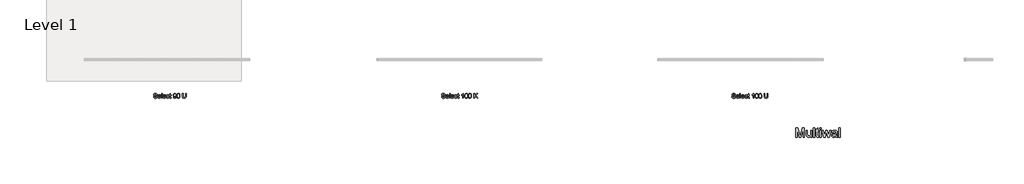
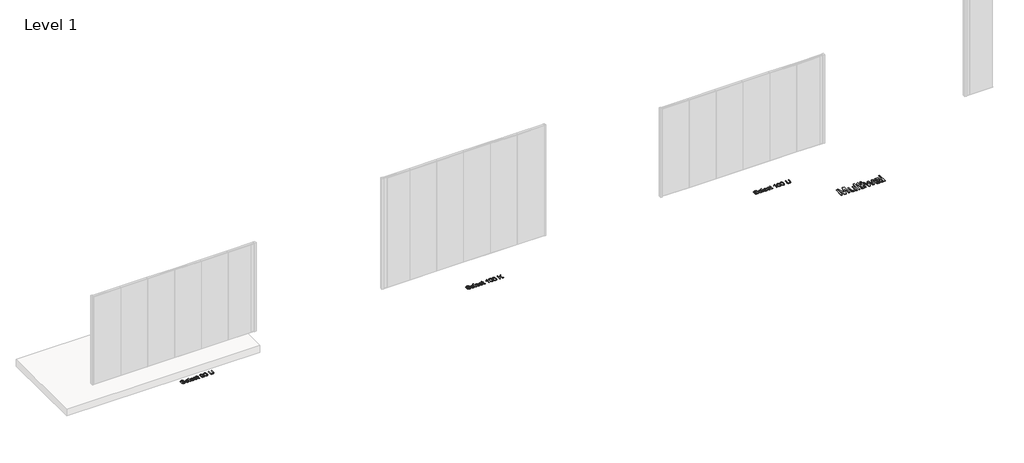
# One storey, part 3 of 4: 4 proxies.
"""IFC4 building model written with IfcOpenShell, lengths in millimetres."""

from ifc_helpers import new_model, si_unit, origin, origin_with_axes, place, context, project, spatial, polyline, outline, extrude, element, save

model = new_model("IFC4")

# Units and contexts
model_context = context("Model", 3, world=origin())
ifc_project = project(units=[si_unit("LENGTHUNIT", "METRE", prefix="MILLI")], contexts=[model_context])

# Site, building, storey
site = spatial("IfcSite", under=ifc_project)
building = spatial("IfcBuilding", under=site)
storey = spatial("IfcBuildingStorey", under=building, Name="Level 1", Elevation=0.0)

# Proxies
placement = place(None, origin())
element("IfcBuildingElementProxy", 1, Name="200mm", ObjectType="200mm", at=placement, inside=storey, context=model_context, shape_type="SweptSolid", body=[
    extrude(outline(polyline([(6159.0438066, -16410.4015229), (6183.6591912, -16410.4015229), (6191.5918835, -16435.040946), (6199.5606335, -16443.7548883), (6210.9668835, -16450.617869), (6224.9091912, -16455.070994), (6240.4861143, -16456.555369), (6266.2072681, -16452.0601767), (6282.817845, -16439.7044075), (6288.2745758, -16423.1899844), (6284.1880373, -16407.8294075), (6277.9620758, -16401.7536863), (6267.4572681, -16396.6515229), (6231.615922, -16387.2524844), (6193.0341912, -16375.1130613), (6180.7805854, -16366.8318113), (6172.0966912, -16356.7957536), (6166.9224123, -16345.2212344), (6165.1976527, -16332.3245998), (6167.3310662, -16317.9075325), (6173.7313066, -16304.4640229), (6184.2301046, -16293.0697921), (6198.6591912, -16284.8005613), (6215.9789027, -16279.7705133), (6235.1495758, -16278.0938306), (6255.9188066, -16279.8486383), (6274.0918835, -16285.1130613), (6289.0197681, -16293.7789267), (6300.053422, -16305.7380613), (6307.036595, -16320.2452729), (6309.8130373, -16336.555369), (6285.1976527, -16336.555369), (6280.678422, -16321.867869), (6271.255345, -16311.2669075), (6256.5317873, -16304.8486383), (6236.1111143, -16302.7092152), (6215.209672, -16304.8245998), (6200.8707296, -16311.1707536), (6192.5774604, -16320.509696), (6189.8130373, -16331.603446), (6191.772172, -16341.0625806), (6197.6495758, -16348.6707536), (6211.5438066, -16355.4736383), (6237.8418835, -16362.4207536), (6281.3995758, -16374.7765229), (6295.4320277, -16383.7068113), (6305.2216912, -16394.728446), (6310.9728931, -16407.7212344), (6312.8899604, -16422.5649844), (6310.6844316, -16437.7392633), (6304.067845, -16452.0120998), (6293.3106335, -16464.2957536), (6278.6832296, -16473.5024844), (6261.0930854, -16479.2536863), (6241.4476527, -16481.1707536), (6217.3310662, -16479.103446), (6197.4813066, -16472.9015229), (6181.6700085, -16462.540946), (6169.6688066, -16447.9976767), (6161.9644796, -16430.2813306), (6159.0438066, -16410.4015229)])), origin_with_axes(), (0.0, 0.0, 1.0), 5.0),
    extrude(outline(polyline([(6447.9861143, -16435.0169075), (6472.1207296, -16438.0938306), (6463.4248162, -16456.2789267), (6449.5486143, -16469.8726767), (6430.8046239, -16478.3462344), (6407.505345, -16481.1707536), (6378.6231335, -16476.2969556), (6356.3995758, -16461.6755613), (6342.2289027, -16438.2560902), (6337.505345, -16406.9880613), (6342.2769796, -16374.6683498), (6356.5918835, -16350.4976767), (6378.5149604, -16335.4255613), (6406.1111143, -16330.4015229), (6432.8478931, -16335.4135421), (6454.2120758, -16350.4495998), (6468.2204893, -16374.572196), (6472.8899604, -16406.8438306), (6472.7457296, -16413.478446), (6362.1207296, -16413.478446), (6366.381547, -16431.9039267), (6376.2793835, -16445.4495998), (6390.5642393, -16453.7789267), (6407.9861143, -16456.555369), (6432.1207296, -16451.4111383), (6441.0870758, -16444.7404652), (6447.9861143, -16435.0169075)]), holes=[polyline([(6362.1207296, -16388.8630613), (6448.2745758, -16388.8630613), (6444.9452489, -16375.8582536), (6438.4188066, -16366.555369), (6424.067845, -16357.9015229), (6406.0149604, -16355.0169075), (6389.4224123, -16357.3185902), (6375.7024604, -16364.2236383), (6366.1652008, -16374.9868594), (6362.1207296, -16388.8630613)])]), origin_with_axes(), (0.0, 0.0, 1.0), 5.0),
    extrude(outline(polyline([(6497.505345, -16478.0938306), (6497.505345, -16281.1707536), (6522.1207296, -16281.1707536), (6522.1207296, -16478.0938306), (6497.505345, -16478.0938306)])), origin_with_axes(), (0.0, 0.0, 1.0), 5.0),
    extrude(outline(polyline([(6660.2938066, -16435.0169075), (6684.428422, -16438.0938306), (6675.7325085, -16456.2789267), (6661.8563066, -16469.8726767), (6643.1123162, -16478.3462344), (6619.8130373, -16481.1707536), (6590.9308258, -16476.2969556), (6568.7072681, -16461.6755613), (6554.536595, -16438.2560902), (6549.8130373, -16406.9880613), (6554.584672, -16374.6683498), (6568.8995758, -16350.4976767), (6590.8226527, -16335.4255613), (6618.4188066, -16330.4015229), (6645.1555854, -16335.4135421), (6666.5197681, -16350.4495998), (6680.5281816, -16374.572196), (6685.1976527, -16406.8438306), (6685.053422, -16413.478446), (6574.428422, -16413.478446), (6578.6892393, -16431.9039267), (6588.5870758, -16445.4495998), (6602.8719316, -16453.7789267), (6620.2938066, -16456.555369), (6644.428422, -16451.4111383), (6653.3947681, -16444.7404652), (6660.2938066, -16435.0169075)]), holes=[polyline([(6574.428422, -16388.8630613), (6660.5822681, -16388.8630613), (6657.2529412, -16375.8582536), (6650.7264989, -16366.555369), (6636.3755373, -16357.9015229), (6618.3226527, -16355.0169075), (6601.7301046, -16357.3185902), (6588.0101527, -16364.2236383), (6578.4728931, -16374.9868594), (6574.428422, -16388.8630613)])]), origin_with_axes(), (0.0, 0.0, 1.0), 5.0),
    extrude(outline(polyline([(6802.1207296, -16425.7861383), (6826.7361143, -16428.8630613), (6819.8731335, -16450.7560902), (6806.9764989, -16467.3005613), (6789.2601527, -16477.7032056), (6767.9380373, -16481.1707536), (6741.7541431, -16476.3330133), (6721.2793835, -16461.8197921), (6708.0642393, -16438.2681094), (6703.6591912, -16406.3149844), (6705.5402008, -16384.4099363), (6711.1832296, -16365.4255613), (6720.678422, -16350.0950325), (6734.115922, -16339.1515229), (6750.1916431, -16332.5890229), (6767.6014989, -16330.4015229), (6788.4007777, -16333.4063306), (6805.0293835, -16342.4207536), (6816.95847, -16356.9640229), (6823.6591912, -16376.555369), (6799.0438066, -16379.6322921), (6794.5786623, -16368.8931094), (6787.6255373, -16361.1947921), (6778.569047, -16356.5613786), (6767.7938066, -16355.0169075), (6751.8863546, -16358.0577729), (6739.2601527, -16367.180369), (6731.02097, -16382.8774844), (6728.2745758, -16405.6419075), (6730.9608739, -16428.712821), (6739.0197681, -16444.4640229), (6751.4176046, -16453.5325325), (6767.1207296, -16456.555369), (6779.8671239, -16454.6683498), (6790.317845, -16449.0072921), (6797.9200085, -16439.4279652), (6802.1207296, -16425.7861383)])), origin_with_axes(), (0.0, 0.0, 1.0), 5.0),
    extrude(outline(polyline([(6900.5822681, -16457.5649844), (6903.6591912, -16478.8149844), (6885.2457296, -16481.1707536), (6864.6207296, -16477.0842152), (6854.3322681, -16466.3630613), (6851.3514989, -16438.430369), (6851.3514989, -16358.0938306), (6832.8899604, -16358.0938306), (6832.8899604, -16333.478446), (6851.3514989, -16333.478446), (6851.3514989, -16298.3342152), (6875.9668835, -16283.8630613), (6875.9668835, -16333.478446), (6900.5822681, -16333.478446), (6900.5822681, -16358.0938306), (6875.9668835, -16358.0938306), (6875.9668835, -16437.7092152), (6877.2649604, -16450.4015229), (6881.4716912, -16454.8967152), (6889.8611143, -16456.555369), (6900.5822681, -16457.5649844)])), origin_with_axes(), (0.0, 0.0, 1.0), 5.0),
    extrude(outline(polyline([(6999.0438066, -16428.8630613), (7023.6591912, -16425.7861383), (7027.865922, -16439.758494), (7034.7168835, -16449.2717152), (7044.0438066, -16454.7344556), (7055.678422, -16456.555369), (7075.6063066, -16451.867869), (7089.115922, -16439.3438306), (7097.1688066, -16417.9495998), (7100.7264989, -16389.3919075), (7100.5822681, -16384.5842152), (7092.0546239, -16394.992869), (7080.8947681, -16403.2380613), (7067.9079893, -16408.6106575), (7053.8995758, -16410.4015229), (7031.4536623, -16406.0265229), (7012.7697681, -16392.9015229), (7000.1676046, -16372.6250806), (6995.9668835, -16346.7957536), (7000.3719316, -16320.1130613), (7013.5870758, -16299.1995998), (7033.4368354, -16285.6779652), (7057.7457296, -16281.1707536), (7076.1051046, -16283.742869), (7092.817845, -16291.4592152), (7106.7962104, -16303.9351767), (7116.9524604, -16320.7861383), (7123.1363546, -16344.0794075), (7125.1976527, -16375.8822921), (7123.1423643, -16409.602244), (7116.9764989, -16435.665946), (7106.7541431, -16455.2512825), (7092.5293835, -16469.5361383), (7074.9152008, -16478.2620998), (7054.5245758, -16481.1707536), (7033.4789027, -16477.7392633), (7016.6880373, -16467.4447921), (7004.9452489, -16450.9363786), (6999.0438066, -16428.8630613)]), holes=[polyline([(7100.5822681, -16346.2188306), (7097.9260181, -16329.5361383), (7089.9572681, -16316.6995998), (7077.5894796, -16308.5145036), (7061.7361143, -16305.7861383), (7045.2938066, -16308.7248402), (7032.1207296, -16317.540946), (7023.4668835, -16331.0325325), (7020.5822681, -16347.9976767), (7023.3106335, -16363.2080133), (7031.4957296, -16375.2813306), (7044.3442873, -16383.1599363), (7061.0630373, -16385.7861383), (7076.7902008, -16383.1599363), (7089.4524604, -16375.2813306), (7097.7998162, -16362.7633017), (7100.5822681, -16346.2188306)])]), origin_with_axes(), (0.0, 0.0, 1.0), 5.0),
    extrude(outline(polyline([(7146.7361143, -16381.2188306), (7148.5450085, -16349.6983979), (7153.9716912, -16324.5601767), (7162.9620758, -16305.4195517), (7175.4620758, -16291.8919075), (7191.5618354, -16283.8510421), (7211.3514989, -16281.1707536), (7226.5197681, -16282.7572921), (7240.1014989, -16287.5169075), (7251.459672, -16295.2633017), (7259.9572681, -16305.8101767), (7271.4957296, -16334.9447921), (7275.9668835, -16381.2188306), (7274.1760181, -16412.5589748), (7268.803422, -16437.6370998), (7259.8671239, -16456.7957536), (7247.3851527, -16470.3774844), (7231.2493354, -16478.4724363), (7211.3514989, -16481.1707536), (7185.7745758, -16476.4832536), (7166.3514989, -16462.4207536), (7157.7697681, -16447.5920277), (7151.6399604, -16429.1154652), (7146.7361143, -16381.2188306)]), holes=[polyline([(7171.3514989, -16381.1707536), (7174.2361143, -16419.8907056), (7182.8899604, -16442.3005613), (7195.7745758, -16452.9916671), (7211.3514989, -16456.555369), (7226.928422, -16452.9796479), (7239.8130373, -16442.2524844), (7248.4668835, -16419.8306094), (7251.3514989, -16381.1707536), (7248.5630373, -16343.322196), (7240.1976527, -16320.7380613), (7227.3370758, -16309.524119), (7211.0630373, -16305.7861383), (7195.6543835, -16309.0794075), (7183.2745758, -16318.9592152), (7174.3322681, -16342.9495998), (7171.3514989, -16381.1707536)])]), origin_with_axes(), (0.0, 0.0, 1.0), 5.0),
    extrude(outline(polyline([(7512.8899604, -16281.1707536), (7537.505345, -16281.1707536), (7537.505345, -16394.7765229), (7535.834672, -16421.3810902), (7530.8226527, -16441.867869), (7521.459672, -16457.6731575), (7506.7361143, -16470.2332536), (7486.615922, -16478.4363786), (7461.0630373, -16481.1707536), (7436.069047, -16478.790946), (7416.0870758, -16471.6515229), (7401.1111143, -16459.9988786), (7391.1351527, -16444.0794075), (7385.5281816, -16422.727244), (7383.6591912, -16394.7765229), (7383.6591912, -16281.1707536), (7408.2745758, -16281.1707536), (7408.2745758, -16393.9111383), (7409.4885181, -16416.0325325), (7413.130345, -16431.4351767), (7419.7289027, -16442.102244), (7429.8130373, -16450.0169075), (7442.9620758, -16454.9207536), (7458.755345, -16456.555369), (7483.7914027, -16453.322196), (7500.4380373, -16443.6226767), (7509.7769796, -16424.728446), (7512.8899604, -16393.9111383), (7512.8899604, -16281.1707536)])), origin_with_axes(), (0.0, 0.0, 1.0), 5.0),
])
element("IfcBuildingElementProxy", 2, Name="200mm", ObjectType="200mm", at=placement, inside=storey, context=model_context, shape_type="SweptSolid", body=[
    extrude(outline(polyline([(18359.0438066, -16410.4015229), (18383.6591912, -16410.4015229), (18391.5918835, -16435.040946), (18399.5606335, -16443.7548883), (18410.9668835, -16450.617869), (18424.9091912, -16455.070994), (18440.4861143, -16456.555369), (18466.2072681, -16452.0601767), (18482.817845, -16439.7044075), (18488.2745758, -16423.1899844), (18484.1880373, -16407.8294075), (18477.9620758, -16401.7536863), (18467.4572681, -16396.6515229), (18431.615922, -16387.2524844), (18393.0341912, -16375.1130613), (18380.7805854, -16366.8318113), (18372.0966912, -16356.7957536), (18366.9224123, -16345.2212344), (18365.1976527, -16332.3245998), (18367.3310662, -16317.9075325), (18373.7313066, -16304.4640229), (18384.2301046, -16293.0697921), (18398.6591912, -16284.8005613), (18415.9789027, -16279.7705133), (18435.1495758, -16278.0938306), (18455.9188066, -16279.8486383), (18474.0918835, -16285.1130613), (18489.0197681, -16293.7789267), (18500.053422, -16305.7380613), (18507.036595, -16320.2452729), (18509.8130373, -16336.555369), (18485.1976527, -16336.555369), (18480.678422, -16321.867869), (18471.255345, -16311.2669075), (18456.5317873, -16304.8486383), (18436.1111143, -16302.7092152), (18415.209672, -16304.8245998), (18400.8707296, -16311.1707536), (18392.5774604, -16320.509696), (18389.8130373, -16331.603446), (18391.772172, -16341.0625806), (18397.6495758, -16348.6707536), (18411.5438066, -16355.4736383), (18437.8418835, -16362.4207536), (18481.3995758, -16374.7765229), (18495.4320277, -16383.7068113), (18505.2216912, -16394.728446), (18510.9728931, -16407.7212344), (18512.8899604, -16422.5649844), (18510.6844316, -16437.7392633), (18504.067845, -16452.0120998), (18493.3106335, -16464.2957536), (18478.6832296, -16473.5024844), (18461.0930854, -16479.2536863), (18441.4476527, -16481.1707536), (18417.3310662, -16479.103446), (18397.4813066, -16472.9015229), (18381.6700085, -16462.540946), (18369.6688066, -16447.9976767), (18361.9644796, -16430.2813306), (18359.0438066, -16410.4015229)])), origin_with_axes(), (0.0, 0.0, 1.0), 5.0),
    extrude(outline(polyline([(18647.9861143, -16435.0169075), (18672.1207296, -16438.0938306), (18663.4248162, -16456.2789267), (18649.5486143, -16469.8726767), (18630.8046239, -16478.3462344), (18607.505345, -16481.1707536), (18578.6231335, -16476.2969556), (18556.3995758, -16461.6755613), (18542.2289027, -16438.2560902), (18537.505345, -16406.9880613), (18542.2769796, -16374.6683498), (18556.5918835, -16350.4976767), (18578.5149604, -16335.4255613), (18606.1111143, -16330.4015229), (18632.8478931, -16335.4135421), (18654.2120758, -16350.4495998), (18668.2204893, -16374.572196), (18672.8899604, -16406.8438306), (18672.7457296, -16413.478446), (18562.1207296, -16413.478446), (18566.381547, -16431.9039267), (18576.2793835, -16445.4495998), (18590.5642393, -16453.7789267), (18607.9861143, -16456.555369), (18632.1207296, -16451.4111383), (18641.0870758, -16444.7404652), (18647.9861143, -16435.0169075)]), holes=[polyline([(18562.1207296, -16388.8630613), (18648.2745758, -16388.8630613), (18644.9452489, -16375.8582536), (18638.4188066, -16366.555369), (18624.067845, -16357.9015229), (18606.0149604, -16355.0169075), (18589.4224123, -16357.3185902), (18575.7024604, -16364.2236383), (18566.1652008, -16374.9868594), (18562.1207296, -16388.8630613)])]), origin_with_axes(), (0.0, 0.0, 1.0), 5.0),
    extrude(outline(polyline([(18697.505345, -16478.0938306), (18697.505345, -16281.1707536), (18722.1207296, -16281.1707536), (18722.1207296, -16478.0938306), (18697.505345, -16478.0938306)])), origin_with_axes(), (0.0, 0.0, 1.0), 5.0),
    extrude(outline(polyline([(18860.2938066, -16435.0169075), (18884.428422, -16438.0938306), (18875.7325085, -16456.2789267), (18861.8563066, -16469.8726767), (18843.1123162, -16478.3462344), (18819.8130373, -16481.1707536), (18790.9308258, -16476.2969556), (18768.7072681, -16461.6755613), (18754.536595, -16438.2560902), (18749.8130373, -16406.9880613), (18754.584672, -16374.6683498), (18768.8995758, -16350.4976767), (18790.8226527, -16335.4255613), (18818.4188066, -16330.4015229), (18845.1555854, -16335.4135421), (18866.5197681, -16350.4495998), (18880.5281816, -16374.572196), (18885.1976527, -16406.8438306), (18885.053422, -16413.478446), (18774.428422, -16413.478446), (18778.6892393, -16431.9039267), (18788.5870758, -16445.4495998), (18802.8719316, -16453.7789267), (18820.2938066, -16456.555369), (18844.428422, -16451.4111383), (18853.3947681, -16444.7404652), (18860.2938066, -16435.0169075)]), holes=[polyline([(18774.428422, -16388.8630613), (18860.5822681, -16388.8630613), (18857.2529412, -16375.8582536), (18850.7264989, -16366.555369), (18836.3755373, -16357.9015229), (18818.3226527, -16355.0169075), (18801.7301046, -16357.3185902), (18788.0101527, -16364.2236383), (18778.4728931, -16374.9868594), (18774.428422, -16388.8630613)])]), origin_with_axes(), (0.0, 0.0, 1.0), 5.0),
    extrude(outline(polyline([(19002.1207296, -16425.7861383), (19026.7361143, -16428.8630613), (19019.8731335, -16450.7560902), (19006.9764989, -16467.3005613), (18989.2601527, -16477.7032056), (18967.9380373, -16481.1707536), (18941.7541431, -16476.3330133), (18921.2793835, -16461.8197921), (18908.0642393, -16438.2681094), (18903.6591912, -16406.3149844), (18905.5402008, -16384.4099363), (18911.1832296, -16365.4255613), (18920.678422, -16350.0950325), (18934.115922, -16339.1515229), (18950.1916431, -16332.5890229), (18967.6014989, -16330.4015229), (18988.4007777, -16333.4063306), (19005.0293835, -16342.4207536), (19016.95847, -16356.9640229), (19023.6591912, -16376.555369), (18999.0438066, -16379.6322921), (18994.5786623, -16368.8931094), (18987.6255373, -16361.1947921), (18978.569047, -16356.5613786), (18967.7938066, -16355.0169075), (18951.8863546, -16358.0577729), (18939.2601527, -16367.180369), (18931.02097, -16382.8774844), (18928.2745758, -16405.6419075), (18930.9608739, -16428.712821), (18939.0197681, -16444.4640229), (18951.4176046, -16453.5325325), (18967.1207296, -16456.555369), (18979.8671239, -16454.6683498), (18990.317845, -16449.0072921), (18997.9200085, -16439.4279652), (19002.1207296, -16425.7861383)])), origin_with_axes(), (0.0, 0.0, 1.0), 5.0),
    extrude(outline(polyline([(19100.5822681, -16457.5649844), (19103.6591912, -16478.8149844), (19085.2457296, -16481.1707536), (19064.6207296, -16477.0842152), (19054.3322681, -16466.3630613), (19051.3514989, -16438.430369), (19051.3514989, -16358.0938306), (19032.8899604, -16358.0938306), (19032.8899604, -16333.478446), (19051.3514989, -16333.478446), (19051.3514989, -16298.3342152), (19075.9668835, -16283.8630613), (19075.9668835, -16333.478446), (19100.5822681, -16333.478446), (19100.5822681, -16358.0938306), (19075.9668835, -16358.0938306), (19075.9668835, -16437.7092152), (19077.2649604, -16450.4015229), (19081.4716912, -16454.8967152), (19089.8611143, -16456.555369), (19100.5822681, -16457.5649844)])), origin_with_axes(), (0.0, 0.0, 1.0), 5.0),
    extrude(outline(polyline([(19288.2745758, -16478.0938306), (19263.6591912, -16478.0938306), (19263.6591912, -16324.6322921), (19240.3418835, -16341.242869), (19214.428422, -16353.6707536), (19214.428422, -16330.4015229), (19250.5101527, -16307.3726767), (19263.7132777, -16294.0673883), (19272.4091912, -16281.1707536), (19288.2745758, -16281.1707536), (19288.2745758, -16478.0938306)])), origin_with_axes(), (0.0, 0.0, 1.0), 5.0),
    extrude(outline(polyline([(19346.7361143, -16381.2188306), (19348.5450085, -16349.6983979), (19353.9716912, -16324.5601767), (19362.9620758, -16305.4195517), (19375.4620758, -16291.8919075), (19391.5618354, -16283.8510421), (19411.3514989, -16281.1707536), (19426.5197681, -16282.7572921), (19440.1014989, -16287.5169075), (19451.459672, -16295.2633017), (19459.9572681, -16305.8101767), (19471.4957296, -16334.9447921), (19475.9668835, -16381.2188306), (19474.1760181, -16412.5589748), (19468.803422, -16437.6370998), (19459.8671239, -16456.7957536), (19447.3851527, -16470.3774844), (19431.2493354, -16478.4724363), (19411.3514989, -16481.1707536), (19385.7745758, -16476.4832536), (19366.3514989, -16462.4207536), (19357.7697681, -16447.5920277), (19351.6399604, -16429.1154652), (19346.7361143, -16381.2188306)]), holes=[polyline([(19371.3514989, -16381.1707536), (19374.2361143, -16419.8907056), (19382.8899604, -16442.3005613), (19395.7745758, -16452.9916671), (19411.3514989, -16456.555369), (19426.928422, -16452.9796479), (19439.8130373, -16442.2524844), (19448.4668835, -16419.8306094), (19451.3514989, -16381.1707536), (19448.5630373, -16343.322196), (19440.1976527, -16320.7380613), (19427.3370758, -16309.524119), (19411.0630373, -16305.7861383), (19395.6543835, -16309.0794075), (19383.2745758, -16318.9592152), (19374.3322681, -16342.9495998), (19371.3514989, -16381.1707536)])]), origin_with_axes(), (0.0, 0.0, 1.0), 5.0),
    extrude(outline(polyline([(19497.505345, -16381.2188306), (19499.3142393, -16349.6983979), (19504.740922, -16324.5601767), (19513.7313066, -16305.4195517), (19526.2313066, -16291.8919075), (19542.3310662, -16283.8510421), (19562.1207296, -16281.1707536), (19577.2889989, -16282.7572921), (19590.8707296, -16287.5169075), (19602.2289027, -16295.2633017), (19610.7264989, -16305.8101767), (19622.2649604, -16334.9447921), (19626.7361143, -16381.2188306), (19624.9452489, -16412.5589748), (19619.5726527, -16437.6370998), (19610.6363546, -16456.7957536), (19598.1543835, -16470.3774844), (19582.0185662, -16478.4724363), (19562.1207296, -16481.1707536), (19536.5438066, -16476.4832536), (19517.1207296, -16462.4207536), (19508.5389989, -16447.5920277), (19502.4091912, -16429.1154652), (19497.505345, -16381.2188306)]), holes=[polyline([(19522.1207296, -16381.1707536), (19525.005345, -16419.8907056), (19533.6591912, -16442.3005613), (19546.5438066, -16452.9916671), (19562.1207296, -16456.555369), (19577.6976527, -16452.9796479), (19590.5822681, -16442.2524844), (19599.2361143, -16419.8306094), (19602.1207296, -16381.1707536), (19599.3322681, -16343.322196), (19590.9668835, -16320.7380613), (19578.1063066, -16309.524119), (19561.8322681, -16305.7861383), (19546.4236143, -16309.0794075), (19534.0438066, -16318.9592152), (19525.1014989, -16342.9495998), (19522.1207296, -16381.1707536)])]), origin_with_axes(), (0.0, 0.0, 1.0), 5.0),
    extrude(outline(polyline([(19734.428422, -16478.0938306), (19734.428422, -16281.1707536), (19759.0438066, -16281.1707536), (19759.0438066, -16377.5649844), (19860.005345, -16281.1707536), (19894.428422, -16281.1707536), (19809.6688066, -16362.1322921), (19897.505345, -16478.0938306), (19867.4091912, -16478.0938306), (19792.2168835, -16378.7669075), (19759.0438066, -16410.4015229), (19759.0438066, -16478.0938306), (19734.428422, -16478.0938306)])), origin_with_axes(), (0.0, 0.0, 1.0), 5.0),
])
element("IfcBuildingElementProxy", 3, Name="200mm", ObjectType="200mm", at=placement, inside=storey, context=model_context, shape_type="SweptSolid", body=[
    extrude(outline(polyline([(30659.0438066, -16410.4015229), (30683.6591912, -16410.4015229), (30691.5918835, -16435.040946), (30699.5606335, -16443.7548883), (30710.9668835, -16450.617869), (30724.9091912, -16455.070994), (30740.4861143, -16456.555369), (30766.2072681, -16452.0601767), (30782.817845, -16439.7044075), (30788.2745758, -16423.1899844), (30784.1880373, -16407.8294075), (30777.9620758, -16401.7536863), (30767.4572681, -16396.6515229), (30731.615922, -16387.2524844), (30693.0341912, -16375.1130613), (30680.7805854, -16366.8318113), (30672.0966912, -16356.7957536), (30666.9224123, -16345.2212344), (30665.1976527, -16332.3245998), (30667.3310662, -16317.9075325), (30673.7313066, -16304.4640229), (30684.2301046, -16293.0697921), (30698.6591912, -16284.8005613), (30715.9789027, -16279.7705133), (30735.1495758, -16278.0938306), (30755.9188066, -16279.8486383), (30774.0918835, -16285.1130613), (30789.0197681, -16293.7789267), (30800.053422, -16305.7380613), (30807.036595, -16320.2452729), (30809.8130373, -16336.555369), (30785.1976527, -16336.555369), (30780.678422, -16321.867869), (30771.255345, -16311.2669075), (30756.5317873, -16304.8486383), (30736.1111143, -16302.7092152), (30715.209672, -16304.8245998), (30700.8707296, -16311.1707536), (30692.5774604, -16320.509696), (30689.8130373, -16331.603446), (30691.772172, -16341.0625806), (30697.6495758, -16348.6707536), (30711.5438066, -16355.4736383), (30737.8418835, -16362.4207536), (30781.3995758, -16374.7765229), (30795.4320277, -16383.7068113), (30805.2216912, -16394.728446), (30810.9728931, -16407.7212344), (30812.8899604, -16422.5649844), (30810.6844316, -16437.7392633), (30804.067845, -16452.0120998), (30793.3106335, -16464.2957536), (30778.6832296, -16473.5024844), (30761.0930854, -16479.2536863), (30741.4476527, -16481.1707536), (30717.3310662, -16479.103446), (30697.4813066, -16472.9015229), (30681.6700085, -16462.540946), (30669.6688066, -16447.9976767), (30661.9644796, -16430.2813306), (30659.0438066, -16410.4015229)])), origin_with_axes(), (0.0, 0.0, 1.0), 5.0),
    extrude(outline(polyline([(30947.9861143, -16435.0169075), (30972.1207296, -16438.0938306), (30963.4248162, -16456.2789267), (30949.5486143, -16469.8726767), (30930.8046239, -16478.3462344), (30907.505345, -16481.1707536), (30878.6231335, -16476.2969556), (30856.3995758, -16461.6755613), (30842.2289027, -16438.2560902), (30837.505345, -16406.9880613), (30842.2769796, -16374.6683498), (30856.5918835, -16350.4976767), (30878.5149604, -16335.4255613), (30906.1111143, -16330.4015229), (30932.8478931, -16335.4135421), (30954.2120758, -16350.4495998), (30968.2204893, -16374.572196), (30972.8899604, -16406.8438306), (30972.7457296, -16413.478446), (30862.1207296, -16413.478446), (30866.381547, -16431.9039267), (30876.2793835, -16445.4495998), (30890.5642393, -16453.7789267), (30907.9861143, -16456.555369), (30932.1207296, -16451.4111383), (30941.0870758, -16444.7404652), (30947.9861143, -16435.0169075)]), holes=[polyline([(30862.1207296, -16388.8630613), (30948.2745758, -16388.8630613), (30944.9452489, -16375.8582536), (30938.4188066, -16366.555369), (30924.067845, -16357.9015229), (30906.0149604, -16355.0169075), (30889.4224123, -16357.3185902), (30875.7024604, -16364.2236383), (30866.1652008, -16374.9868594), (30862.1207296, -16388.8630613)])]), origin_with_axes(), (0.0, 0.0, 1.0), 5.0),
    extrude(outline(polyline([(30997.505345, -16478.0938306), (30997.505345, -16281.1707536), (31022.1207296, -16281.1707536), (31022.1207296, -16478.0938306), (30997.505345, -16478.0938306)])), origin_with_axes(), (0.0, 0.0, 1.0), 5.0),
    extrude(outline(polyline([(31160.2938066, -16435.0169075), (31184.428422, -16438.0938306), (31175.7325085, -16456.2789267), (31161.8563066, -16469.8726767), (31143.1123162, -16478.3462344), (31119.8130373, -16481.1707536), (31090.9308258, -16476.2969556), (31068.7072681, -16461.6755613), (31054.536595, -16438.2560902), (31049.8130373, -16406.9880613), (31054.584672, -16374.6683498), (31068.8995758, -16350.4976767), (31090.8226527, -16335.4255613), (31118.4188066, -16330.4015229), (31145.1555854, -16335.4135421), (31166.5197681, -16350.4495998), (31180.5281816, -16374.572196), (31185.1976527, -16406.8438306), (31185.053422, -16413.478446), (31074.428422, -16413.478446), (31078.6892393, -16431.9039267), (31088.5870758, -16445.4495998), (31102.8719316, -16453.7789267), (31120.2938066, -16456.555369), (31144.428422, -16451.4111383), (31153.3947681, -16444.7404652), (31160.2938066, -16435.0169075)]), holes=[polyline([(31074.428422, -16388.8630613), (31160.5822681, -16388.8630613), (31157.2529412, -16375.8582536), (31150.7264989, -16366.555369), (31136.3755373, -16357.9015229), (31118.3226527, -16355.0169075), (31101.7301046, -16357.3185902), (31088.0101527, -16364.2236383), (31078.4728931, -16374.9868594), (31074.428422, -16388.8630613)])]), origin_with_axes(), (0.0, 0.0, 1.0), 5.0),
    extrude(outline(polyline([(31302.1207296, -16425.7861383), (31326.7361143, -16428.8630613), (31319.8731335, -16450.7560902), (31306.9764989, -16467.3005613), (31289.2601527, -16477.7032056), (31267.9380373, -16481.1707536), (31241.7541431, -16476.3330133), (31221.2793835, -16461.8197921), (31208.0642393, -16438.2681094), (31203.6591912, -16406.3149844), (31205.5402008, -16384.4099363), (31211.1832296, -16365.4255613), (31220.678422, -16350.0950325), (31234.115922, -16339.1515229), (31250.1916431, -16332.5890229), (31267.6014989, -16330.4015229), (31288.4007777, -16333.4063306), (31305.0293835, -16342.4207536), (31316.95847, -16356.9640229), (31323.6591912, -16376.555369), (31299.0438066, -16379.6322921), (31294.5786623, -16368.8931094), (31287.6255373, -16361.1947921), (31278.569047, -16356.5613786), (31267.7938066, -16355.0169075), (31251.8863546, -16358.0577729), (31239.2601527, -16367.180369), (31231.02097, -16382.8774844), (31228.2745758, -16405.6419075), (31230.9608739, -16428.712821), (31239.0197681, -16444.4640229), (31251.4176046, -16453.5325325), (31267.1207296, -16456.555369), (31279.8671239, -16454.6683498), (31290.317845, -16449.0072921), (31297.9200085, -16439.4279652), (31302.1207296, -16425.7861383)])), origin_with_axes(), (0.0, 0.0, 1.0), 5.0),
    extrude(outline(polyline([(31400.5822681, -16457.5649844), (31403.6591912, -16478.8149844), (31385.2457296, -16481.1707536), (31364.6207296, -16477.0842152), (31354.3322681, -16466.3630613), (31351.3514989, -16438.430369), (31351.3514989, -16358.0938306), (31332.8899604, -16358.0938306), (31332.8899604, -16333.478446), (31351.3514989, -16333.478446), (31351.3514989, -16298.3342152), (31375.9668835, -16283.8630613), (31375.9668835, -16333.478446), (31400.5822681, -16333.478446), (31400.5822681, -16358.0938306), (31375.9668835, -16358.0938306), (31375.9668835, -16437.7092152), (31377.2649604, -16450.4015229), (31381.4716912, -16454.8967152), (31389.8611143, -16456.555369), (31400.5822681, -16457.5649844)])), origin_with_axes(), (0.0, 0.0, 1.0), 5.0),
    extrude(outline(polyline([(31588.2745758, -16478.0938306), (31563.6591912, -16478.0938306), (31563.6591912, -16324.6322921), (31540.3418835, -16341.242869), (31514.428422, -16353.6707536), (31514.428422, -16330.4015229), (31550.5101527, -16307.3726767), (31563.7132777, -16294.0673883), (31572.4091912, -16281.1707536), (31588.2745758, -16281.1707536), (31588.2745758, -16478.0938306)])), origin_with_axes(), (0.0, 0.0, 1.0), 5.0),
    extrude(outline(polyline([(31646.7361143, -16381.2188306), (31648.5450085, -16349.6983979), (31653.9716912, -16324.5601767), (31662.9620758, -16305.4195517), (31675.4620758, -16291.8919075), (31691.5618354, -16283.8510421), (31711.3514989, -16281.1707536), (31726.5197681, -16282.7572921), (31740.1014989, -16287.5169075), (31751.459672, -16295.2633017), (31759.9572681, -16305.8101767), (31771.4957296, -16334.9447921), (31775.9668835, -16381.2188306), (31774.1760181, -16412.5589748), (31768.803422, -16437.6370998), (31759.8671239, -16456.7957536), (31747.3851527, -16470.3774844), (31731.2493354, -16478.4724363), (31711.3514989, -16481.1707536), (31685.7745758, -16476.4832536), (31666.3514989, -16462.4207536), (31657.7697681, -16447.5920277), (31651.6399604, -16429.1154652), (31646.7361143, -16381.2188306)]), holes=[polyline([(31671.3514989, -16381.1707536), (31674.2361143, -16419.8907056), (31682.8899604, -16442.3005613), (31695.7745758, -16452.9916671), (31711.3514989, -16456.555369), (31726.928422, -16452.9796479), (31739.8130373, -16442.2524844), (31748.4668835, -16419.8306094), (31751.3514989, -16381.1707536), (31748.5630373, -16343.322196), (31740.1976527, -16320.7380613), (31727.3370758, -16309.524119), (31711.0630373, -16305.7861383), (31695.6543835, -16309.0794075), (31683.2745758, -16318.9592152), (31674.3322681, -16342.9495998), (31671.3514989, -16381.1707536)])]), origin_with_axes(), (0.0, 0.0, 1.0), 5.0),
    extrude(outline(polyline([(31797.505345, -16381.2188306), (31799.3142393, -16349.6983979), (31804.740922, -16324.5601767), (31813.7313066, -16305.4195517), (31826.2313066, -16291.8919075), (31842.3310662, -16283.8510421), (31862.1207296, -16281.1707536), (31877.2889989, -16282.7572921), (31890.8707296, -16287.5169075), (31902.2289027, -16295.2633017), (31910.7264989, -16305.8101767), (31922.2649604, -16334.9447921), (31926.7361143, -16381.2188306), (31924.9452489, -16412.5589748), (31919.5726527, -16437.6370998), (31910.6363546, -16456.7957536), (31898.1543835, -16470.3774844), (31882.0185662, -16478.4724363), (31862.1207296, -16481.1707536), (31836.5438066, -16476.4832536), (31817.1207296, -16462.4207536), (31808.5389989, -16447.5920277), (31802.4091912, -16429.1154652), (31797.505345, -16381.2188306)]), holes=[polyline([(31822.1207296, -16381.1707536), (31825.005345, -16419.8907056), (31833.6591912, -16442.3005613), (31846.5438066, -16452.9916671), (31862.1207296, -16456.555369), (31877.6976527, -16452.9796479), (31890.5822681, -16442.2524844), (31899.2361143, -16419.8306094), (31902.1207296, -16381.1707536), (31899.3322681, -16343.322196), (31890.9668835, -16320.7380613), (31878.1063066, -16309.524119), (31861.8322681, -16305.7861383), (31846.4236143, -16309.0794075), (31834.0438066, -16318.9592152), (31825.1014989, -16342.9495998), (31822.1207296, -16381.1707536)])]), origin_with_axes(), (0.0, 0.0, 1.0), 5.0),
    extrude(outline(polyline([(32163.6591912, -16281.1707536), (32188.2745758, -16281.1707536), (32188.2745758, -16394.7765229), (32186.6039027, -16421.3810902), (32181.5918835, -16441.867869), (32172.2289027, -16457.6731575), (32157.505345, -16470.2332536), (32137.3851527, -16478.4363786), (32111.8322681, -16481.1707536), (32086.8382777, -16478.790946), (32066.8563066, -16471.6515229), (32051.880345, -16459.9988786), (32041.9043835, -16444.0794075), (32036.2974123, -16422.727244), (32034.428422, -16394.7765229), (32034.428422, -16281.1707536), (32059.0438066, -16281.1707536), (32059.0438066, -16393.9111383), (32060.2577489, -16416.0325325), (32063.8995758, -16431.4351767), (32070.4981335, -16442.102244), (32080.5822681, -16450.0169075), (32093.7313066, -16454.9207536), (32109.5245758, -16456.555369), (32134.5606335, -16453.322196), (32151.2072681, -16443.6226767), (32160.5462104, -16424.728446), (32163.6591912, -16393.9111383), (32163.6591912, -16281.1707536)])), origin_with_axes(), (0.0, 0.0, 1.0), 5.0),
])
element("IfcBuildingElementProxy", 4, Name="400mm", ObjectType="400mm", at=placement, inside=storey, context=model_context, shape_type="SweptSolid", body=[
    extrude(outline(polyline([(33372.6075472, -18131.5065364), (33372.6075472, -17739.7489607), (33456.8698578, -17739.7489607), (33537.019479, -18015.8730137), (33553.1833048, -18073.5463091), (33570.6861457, -18011.0908167), (33649.4967517, -17739.7489607), (33733.7590624, -17739.7489607), (33733.7590624, -18131.5065364), (33684.7893654, -18131.5065364), (33684.7893654, -17788.7186576), (33586.3717517, -18131.5065364), (33519.9948578, -18131.5065364), (33421.5772442, -17788.7186576), (33421.5772442, -18131.5065364), (33372.6075472, -18131.5065364)])), origin_with_axes(), (0.0, 0.0, 1.0), 20.0),
    extrude(outline(polyline([(33996.9711836, -18131.5065364), (33996.9711836, -18082.0586197), (33979.2531438, -18106.3701136), (33958.6179639, -18123.7354663), (33935.0656438, -18134.154678), (33908.5961836, -18137.6277485), (33884.7449762, -18135.1888281), (33862.5436267, -18127.8720667), (33843.9169696, -18116.8730137), (33830.7898389, -18103.3872182), (33821.95473, -18087.0081936), (33816.2041381, -18067.3294531), (33813.3348199, -18021.8029379), (33813.3348199, -17843.8095667), (33862.3045169, -17843.8095667), (33862.3045169, -17998.7527485), (33865.269479, -18048.6788849), (33872.406908, -18065.3328858), (33884.6373767, -18077.9937523), (33901.1479118, -18085.9919768), (33921.1255396, -18088.6580516), (33942.2508947, -18085.9321993), (33962.0133237, -18077.7546425), (33978.3086599, -18064.8785771), (33989.0327366, -18048.0571993), (33994.9865718, -18025.0189654), (33996.9711836, -17993.4923319), (33996.9711836, -17843.8095667), (34045.9408805, -17843.8095667), (34045.9408805, -18131.5065364), (33996.9711836, -18131.5065364)])), origin_with_axes(), (0.0, 0.0, 1.0), 20.0),
    extrude(outline(polyline([(34113.2742139, -18131.5065364), (34113.2742139, -17739.7489607), (34162.2439108, -17739.7489607), (34162.2439108, -18131.5065364), (34113.2742139, -18131.5065364)])), origin_with_axes(), (0.0, 0.0, 1.0), 20.0),
    extrude(outline(polyline([(34339.7590624, -18090.6665743), (34345.8802745, -18132.9411955), (34309.2486457, -18137.6277485), (34285.7441476, -18135.5953148), (34268.2173957, -18129.4980137), (34255.8315055, -18120.1009966), (34247.7495927, -18108.1694152), (34243.3021495, -18087.6777012), (34241.8196684, -18052.6002864), (34241.8196684, -17892.7792637), (34205.0923957, -17892.7792637), (34205.0923957, -17843.8095667), (34241.8196684, -17843.8095667), (34241.8196684, -17773.893847), (34290.7893654, -17745.1050213), (34290.7893654, -17843.8095667), (34339.7590624, -17843.8095667), (34339.7590624, -17892.7792637), (34290.7893654, -17892.7792637), (34290.7893654, -18051.1656273), (34293.3717517, -18076.4156273), (34301.7405964, -18085.3583357), (34318.4304639, -18088.6580516), (34339.7590624, -18090.6665743)])), origin_with_axes(), (0.0, 0.0, 1.0), 20.0),
    extrude(outline(polyline([(34388.7287593, -17788.7186576), (34388.7287593, -17739.7489607), (34437.6984563, -17739.7489607), (34437.6984563, -17788.7186576), (34388.7287593, -17788.7186576)])), origin_with_axes(), (0.0, 0.0, 1.0), 20.0),
    extrude(outline(polyline([(34388.7287593, -18131.5065364), (34388.7287593, -17843.8095667), (34437.6984563, -17843.8095667), (34437.6984563, -18131.5065364), (34388.7287593, -18131.5065364)])), origin_with_axes(), (0.0, 0.0, 1.0), 20.0),
    extrude(outline(polyline([(34558.8793275, -18131.5065364), (34471.365123, -17843.8095667), (34522.2476987, -17843.8095667), (34571.8869033, -18011.6646804), (34586.7117139, -18071.6334304), (34598.8584942, -18013.864491), (34638.3594411, -17843.8095667), (34696.7022442, -17843.8095667), (34736.0119033, -18013.3862713), (34746.8196684, -18065.7035061), (34762.3139866, -18010.5169531), (34812.0488351, -17843.8095667), (34863.1226987, -17843.8095667), (34774.9389866, -18131.5065364), (34715.7353881, -18131.5065364), (34678.1473199, -17962.7906273), (34667.2439108, -17910.1864607), (34618.7524336, -18131.5065364), (34558.8793275, -18131.5065364)])), origin_with_axes(), (0.0, 0.0, 1.0), 20.0),
    extrude(outline(polyline([(35080.425729, -18094.7792637), (35057.0288303, -18114.84058), (35032.9385131, -18127.9677107), (35007.6048247, -18135.2127391), (34980.4778124, -18137.6277485), (34958.673983, -18136.1751562), (34939.5541618, -18131.8173792), (34923.1183486, -18124.5544176), (34909.3665434, -18114.3862713), (34898.5079674, -18101.9585369), (34890.7518417, -18087.916811), (34886.0981663, -18072.2610937), (34884.5469411, -18054.9913849), (34886.8902177, -18034.6909588), (34893.9200472, -18016.2555894), (34904.7636788, -18000.4743394), (34918.5483616, -17988.1362713), (34952.8367139, -17972.0680894), (34995.206979, -17964.7035061), (35045.2765813, -17956.956347), (35080.1387972, -17947.8701728), (35080.425729, -17936.9667637), (35077.0542802, -17915.1121235), (35066.9399336, -17900.8133546), (35044.3201419, -17890.1968773), (35012.8054639, -17886.6580516), (34983.6340624, -17889.0132836), (34963.2619033, -17896.0789796), (34949.3696211, -17909.1463328), (34939.6378502, -17929.5065364), (34890.6681533, -17923.3853243), (34899.1685084, -17896.6050213), (34911.8532858, -17875.5633546), (34929.9060794, -17859.4712618), (34954.5104828, -17847.5396804), (34984.6024572, -17840.151186), (35019.1179639, -17837.6883546), (35052.2227224, -17839.8642542), (35078.4650283, -17846.3919531), (35098.2513682, -17856.2074124), (35111.988229, -17868.2465932), (35121.0983142, -17883.1311813), (35127.0043275, -17901.4828622), (35129.395426, -17944.331347), (35129.395426, -18005.2565364), (35131.8821684, -18090.3318205), (35141.6378502, -18131.5065364), (35092.6681533, -18131.5065364), (35084.8253502, -18114.4819152), (35080.425729, -18094.7792637)]), holes=[polyline([(35080.425729, -17996.8398697), (35047.5242139, -18004.9935156), (35001.4238351, -18011.8559682), (34959.2926798, -18019.7944152), (34948.3294932, -18025.2222088), (34940.2117139, -18032.706347), (34935.1904071, -18041.6729663), (34933.5166381, -18051.5482031), (34937.1630633, -18066.1099929), (34948.1023389, -18078.0415743), (34966.095355, -18086.0039322), (34990.9030017, -18088.6580516), (35017.2050851, -18085.7289559), (35040.4465624, -18076.941669), (35059.2884184, -18063.9938707), (35072.3916381, -18048.583241), (35078.2020074, -18032.706347), (35080.1387972, -18010.708241), (35080.425729, -17996.8398697)])]), origin_with_axes(), (0.0, 0.0, 1.0), 20.0),
    extrude(outline(polyline([(35196.7287593, -18131.5065364), (35196.7287593, -17739.7489607), (35245.6984563, -17739.7489607), (35245.6984563, -18131.5065364), (35196.7287593, -18131.5065364)])), origin_with_axes(), (0.0, 0.0, 1.0), 20.0),
])

save(model, "model.ifc")
